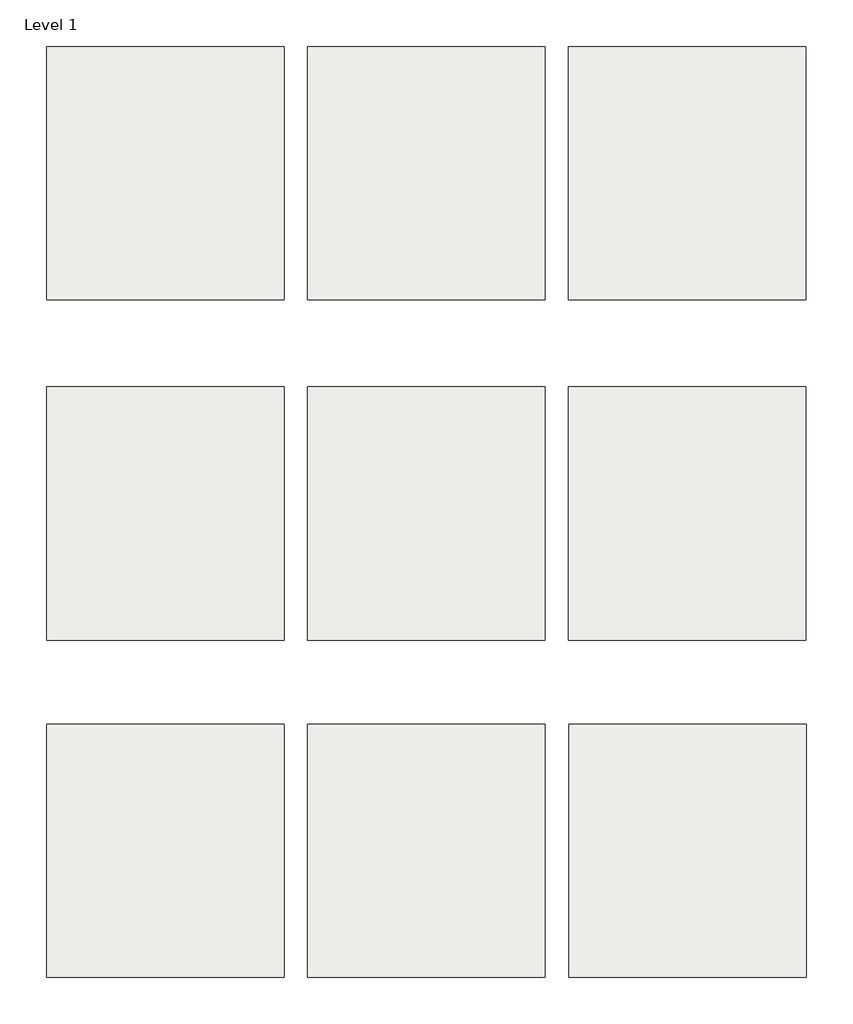
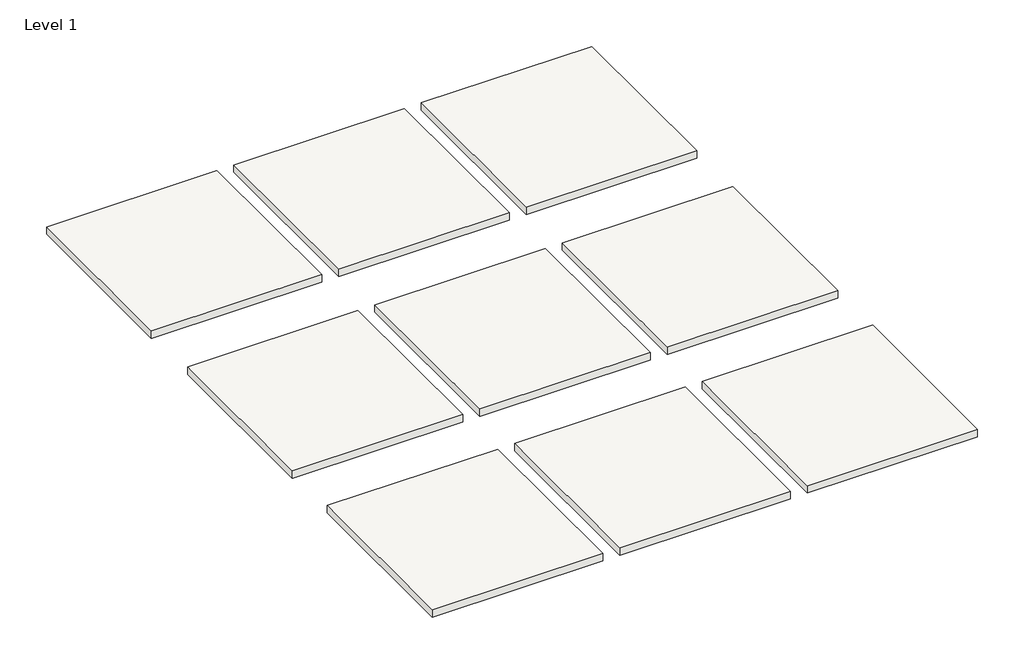
# One storey: 9 slabs.
"""IFC4 building model written with IfcOpenShell, lengths in millimetres."""

from ifc_helpers import new_model, si_unit, frame, origin, place, context, project, spatial, polyline, outline, extrude, element, save

model = new_model("IFC4")

# Units and contexts
model_context = context("Model", 3, world=origin())
ifc_project = project(units=[si_unit("LENGTHUNIT", "METRE", prefix="MILLI")], contexts=[model_context])

# Site, building, storey
site = spatial("IfcSite", under=ifc_project)
building = spatial("IfcBuilding", under=site)
storey = spatial("IfcBuildingStorey", under=building, Name="Level 1", Elevation=0.0)

# Slabs
placement = place(None, origin())
element("IfcSlab", 1, at=placement, inside=storey, context=model_context, shape_type="SweptSolid", body=[
    extrude(outline(polyline([(2470.8158706, 3238.4617384), (2470.8158706, 3644.8617384), (2851.8158706, 3644.8617384), (2851.8158706, 3238.4617384), (2470.8158706, 3238.4617384)])), frame((0.0, 0.0, -17.4625), z_axis=(0.0, 0.0, 1.0), x_axis=(1.0, 0.0, 0.0)), (0.0, 0.0, 1.0), 17.4625),
])
element("IfcSlab", 2, at=placement, inside=storey, context=model_context, shape_type="SweptSolid", body=[
    extrude(outline(polyline([(2051.7158706, 3238.4617384), (2051.7158706, 3644.8617384), (2432.7158706, 3644.8617384), (2432.7158706, 3238.4617384), (2051.7158706, 3238.4617384)])), frame((0.0, 0.0, -17.4625), z_axis=(0.0, 0.0, 1.0), x_axis=(1.0, 0.0, 0.0)), (0.0, 0.0, 1.0), 17.4625),
])
element("IfcSlab", 3, at=placement, inside=storey, context=model_context, shape_type="SweptSolid", body=[
    extrude(outline(polyline([(1632.6158706, 3238.4617384), (1632.6158706, 3644.8617384), (2013.6158706, 3644.8617384), (2013.6158706, 3238.4617384), (1632.6158706, 3238.4617384)])), frame((0.0, 0.0, -17.4625), z_axis=(0.0, 0.0, 1.0), x_axis=(1.0, 0.0, 0.0)), (0.0, 0.0, 1.0), 17.4625),
])
element("IfcSlab", 4, at=placement, inside=storey, context=model_context, shape_type="SweptSolid", body=[
    extrude(outline(polyline([(1632.6158706, 3784.5617384), (1632.6158706, 4190.9617384), (2013.6158706, 4190.9617384), (2013.6158706, 3784.5617384), (1632.6158706, 3784.5617384)])), frame((0.0, 0.0, -17.4625), z_axis=(0.0, 0.0, 1.0), x_axis=(1.0, 0.0, 0.0)), (0.0, 0.0, 1.0), 17.4625),
])
element("IfcSlab", 5, at=placement, inside=storey, context=model_context, shape_type="SweptSolid", body=[
    extrude(outline(polyline([(2051.7158706, 3784.5617384), (2051.7158706, 4190.9617384), (2432.7158706, 4190.9617384), (2432.7158706, 3784.5617384), (2051.7158706, 3784.5617384)])), frame((0.0, 0.0, -17.4625), z_axis=(0.0, 0.0, 1.0), x_axis=(1.0, 0.0, 0.0)), (0.0, 0.0, 1.0), 17.4625),
])
element("IfcSlab", 6, at=placement, inside=storey, context=model_context, shape_type="SweptSolid", body=[
    extrude(outline(polyline([(2470.8158706, 3784.5617384), (2470.8158706, 4190.9617384), (2851.8158706, 4190.9617384), (2851.8158706, 3784.5617384), (2470.8158706, 3784.5617384)])), frame((0.0, 0.0, -17.4625), z_axis=(0.0, 0.0, 1.0), x_axis=(1.0, 0.0, 0.0)), (0.0, 0.0, 1.0), 17.4625),
])
element("IfcSlab", 7, at=placement, inside=storey, context=model_context, shape_type="SweptSolid", body=[
    extrude(outline(polyline([(1632.7245911, 2697.3761888), (1632.7245911, 3103.7761888), (2013.7245911, 3103.7761888), (2013.7245911, 2697.3761888), (1632.7245911, 2697.3761888)])), frame((0.0, 0.0, -17.4625), z_axis=(0.0, 0.0, 1.0), x_axis=(1.0, 0.0, 0.0)), (0.0, 0.0, 1.0), 17.4625),
])
element("IfcSlab", 8, at=placement, inside=storey, context=model_context, shape_type="SweptSolid", body=[
    extrude(outline(polyline([(2051.8245911, 2697.3761888), (2051.8245911, 3103.7761888), (2432.8245911, 3103.7761888), (2432.8245911, 2697.3761888), (2051.8245911, 2697.3761888)])), frame((0.0, 0.0, -17.4625), z_axis=(0.0, 0.0, 1.0), x_axis=(1.0, 0.0, 0.0)), (0.0, 0.0, 1.0), 17.4625),
])
element("IfcSlab", 9, at=placement, inside=storey, context=model_context, shape_type="SweptSolid", body=[
    extrude(outline(polyline([(2470.9245911, 2697.3761888), (2470.9245911, 3103.7761888), (2851.9245911, 3103.7761888), (2851.9245911, 2697.3761888), (2470.9245911, 2697.3761888)])), frame((0.0, 0.0, -17.4625), z_axis=(0.0, 0.0, 1.0), x_axis=(1.0, 0.0, 0.0)), (0.0, 0.0, 1.0), 17.4625),
])

save(model, "model.ifc")
